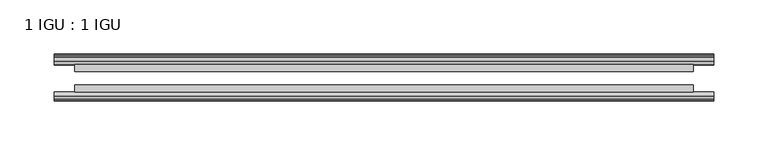
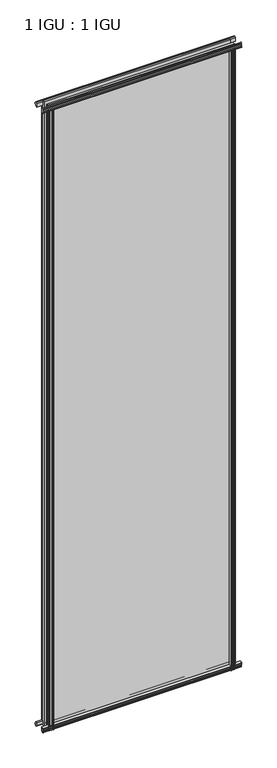
"""IFC4 building model written with IfcOpenShell, lengths in millimetres: plate geometry, 1 IGU : 1 IGU."""

import ifcopenshell
import ifcopenshell.guid

model = None  # the IFC model being written
_history = None  # IfcOwnerHistory: only IFC2X3 demands one
_inside = {}  # id of a spatial element -> (the spatial element, [elements in it])
_under = {}  # id of a project, library or spatial element -> (it, [spatial elements below it])
_declared = {}  # id of a project -> (the project, [libraries it declares])
_typed = {}  # id of a type object -> (the type object, [elements of that type])
_made_of = {}  # id of a material, layer set ... -> (it, [elements and type objects made of it])


def new_model(schema):
    """Start an empty IFC model of exactly this schema.

    Asked for "IFC4X3", IfcOpenShell would pick the latest addendum, in which some entities
    have other attributes; the version numbers below select the first issue.
    IFC2X3 requires an IfcOwnerHistory on every rooted entity: one is made here for all.
    """
    global model, _history
    if schema == "IFC4X3":
        model = ifcopenshell.file(schema_version=(4, 3, 0, 0))
    else:
        model = ifcopenshell.file(schema=schema)
    _inside.clear()
    _under.clear()
    _declared.clear()
    _typed.clear()
    _made_of.clear()
    _history = None
    if model.schema == "IFC2X3":
        org = make("IfcOrganization", Name="unknown")
        user = make(
            "IfcPersonAndOrganization",
            ThePerson=make("IfcPerson", FamilyName="unknown"),
            TheOrganization=org,
        )
        app = make(
            "IfcApplication",
            ApplicationDeveloper=org,
            Version="unknown",
            ApplicationFullName="unknown",
            ApplicationIdentifier="unknown",
        )
        _history = make(
            "IfcOwnerHistory",
            OwningUser=user,
            OwningApplication=app,
            ChangeAction="ADDED",
            CreationDate=0,
        )
    return model


def make(cls, **values):
    """One entity of the class cls with the attributes given. An attribute that is None is left unset."""
    return model.create_entity(
        cls, **{name: value for name, value in values.items() if value is not None}
    )


def rooted(cls, **values):
    """An entity with a GlobalId (a new one), such as an element, a storey or a relation."""
    return make(cls, GlobalId=ifcopenshell.guid.new(), OwnerHistory=_history, **values)


def si_unit(unit_type, name, prefix=None):
    """IfcSIUnit, for example si_unit("LENGTHUNIT", "METRE", prefix="MILLI")."""
    return make("IfcSIUnit", UnitType=unit_type, Prefix=prefix, Name=name)


def assignment(units):
    """IfcUnitAssignment: the units of a project."""
    return None if units is None else make("IfcUnitAssignment", Units=units)


def point(xyz):
    """IfcCartesianPoint."""
    return None if xyz is None else make("IfcCartesianPoint", Coordinates=xyz)


def direction(xyz):
    """IfcDirection."""
    return None if xyz is None else make("IfcDirection", DirectionRatios=xyz)


def frame(location, z_axis=None, x_axis=None):
    """IfcAxis2Placement3D, a coordinate frame: its origin and axes. An axis left out is left unset."""
    return make(
        "IfcAxis2Placement3D",
        Location=point(location),
        Axis=direction(z_axis),
        RefDirection=direction(x_axis),
    )


def frame_2d(location, x_axis=None):
    """IfcAxis2Placement2D, a coordinate frame in the plane: its origin and x axis."""
    return make(
        "IfcAxis2Placement2D", Location=point(location), RefDirection=direction(x_axis)
    )


def origin():
    """The frame at (0, 0, 0) with its axes left unset."""
    return frame((0.0, 0.0, 0.0))


def place(relative_to, where):
    """IfcLocalPlacement: puts the frame where relative to a parent placement (None: the world)."""
    return make(
        "IfcLocalPlacement", PlacementRelTo=relative_to, RelativePlacement=where
    )


def context(
    kind, dimensions, precision=None, world=None, true_north=None, identifier=None
):
    """IfcGeometricRepresentationContext, for example the 3D "Model" context."""
    return make(
        "IfcGeometricRepresentationContext",
        ContextIdentifier=identifier,
        ContextType=kind,
        CoordinateSpaceDimension=dimensions,
        Precision=precision,
        WorldCoordinateSystem=world,
        TrueNorth=true_north,
    )


def project(units=None, contexts=None):
    """IfcProject with its units and contexts."""
    return rooted(
        "IfcProject",
        Name="project",
        RepresentationContexts=contexts,
        UnitsInContext=assignment(units),
    )


def spatial(cls, under=None, at=None, **own):
    """A site, building, storey or space (cls), placed at a placement, below another one or the project."""
    s = rooted(cls, ObjectPlacement=at, **own)
    if under is not None:
        _under.setdefault(under.id(), (under, []))[1].append(s)
    return s


def polyline(points):
    """IfcPolyline through the points."""
    return make("IfcPolyline", Points=[point(p) for p in points])


def circle_curve(where, radius):
    """IfcCircle in the frame where."""
    return make("IfcCircle", Position=where, Radius=radius)


def trimmed(basis, trim1, trim2, sense, master):
    """IfcTrimmedCurve: the piece of a basis curve between two trims."""
    return make(
        "IfcTrimmedCurve",
        BasisCurve=basis,
        Trim1=trim1,
        Trim2=trim2,
        SenseAgreement=sense,
        MasterRepresentation=master,
    )


def segment(curve, same_sense, transition):
    """IfcCompositeCurveSegment."""
    return make(
        "IfcCompositeCurveSegment",
        Transition=transition,
        SameSense=same_sense,
        ParentCurve=curve,
    )


def composite_curve(segments, self_intersect=None):
    """IfcCompositeCurve: segments joined end to end."""
    return make("IfcCompositeCurve", Segments=segments, SelfIntersect=self_intersect)


def outline(outer, holes=None, kind="AREA"):
    """IfcArbitraryClosedProfileDef: a profile drawn as a closed curve; with holes, ...WithVoids."""
    if holes is None:
        return make("IfcArbitraryClosedProfileDef", ProfileType=kind, OuterCurve=outer)
    return make(
        "IfcArbitraryProfileDefWithVoids",
        ProfileType=kind,
        OuterCurve=outer,
        InnerCurves=holes,
    )


def extrude(swept, where, along, depth):
    """IfcExtrudedAreaSolid: the profile swept, set in the frame where, extruded along a direction by depth."""
    return make(
        "IfcExtrudedAreaSolid",
        SweptArea=swept,
        Position=where,
        ExtrudedDirection=direction(along),
        Depth=depth,
    )


def shape(context_of_items, identifier, shape_type, items):
    """IfcShapeRepresentation: the items that make up one representation, for example the "Body"."""
    return make(
        "IfcShapeRepresentation",
        ContextOfItems=context_of_items,
        RepresentationIdentifier=identifier,
        RepresentationType=shape_type,
        Items=items,
    )


def source(mapping_origin, context_of_items, identifier, shape_type, items):
    """IfcRepresentationMap: a shape defined once, which mapped items show again and again."""
    return make(
        "IfcRepresentationMap",
        MappingOrigin=mapping_origin,
        MappedRepresentation=shape(context_of_items, identifier, shape_type, items),
    )


def transform(
    local_origin,
    x_axis=None,
    y_axis=None,
    z_axis=None,
    scale=None,
    scale2=None,
    scale3=None,
    uniform=True,
):
    """IfcCartesianTransformationOperator3D, or its non-uniform kind. x_axis, y_axis, z_axis: its Axis1, 2, 3."""
    if uniform:
        return make(
            "IfcCartesianTransformationOperator3D",
            Axis1=direction(x_axis),
            Axis2=direction(y_axis),
            LocalOrigin=point(local_origin),
            Scale=scale,
            Axis3=direction(z_axis),
        )
    return make(
        "IfcCartesianTransformationOperator3DnonUniform",
        Axis1=direction(x_axis),
        Axis2=direction(y_axis),
        LocalOrigin=point(local_origin),
        Scale=scale,
        Axis3=direction(z_axis),
        Scale2=scale2,
        Scale3=scale3,
    )


def mapped(mapping_source, mapping_target):
    """IfcMappedItem: shows the shape of a source again, moved by a transform."""
    return make(
        "IfcMappedItem", MappingSource=mapping_source, MappingTarget=mapping_target
    )


def made_of(thing, what):
    """Note that an element or type object is made of a material, layer set ...; save() writes the relation."""
    if what is not None:
        _made_of.setdefault(what.id(), (what, []))[1].append(thing)
    return thing


def element(
    cls,
    number,
    at=None,
    inside=None,
    cuts=None,
    type_object=None,
    material=None,
    context=None,
    identifier="Body",
    shape_type=None,
    held_by="IfcProductDefinitionShape",
    body=None,
    shapes=None,
    **own,
):
    """One element of the class cls, such as IfcWall. Its Tag is "e" and its number.

    at: its placement. inside: the storey or other place that contains it. cuts: it is an
    opening in that element (IfcRelVoidsElement). A single representation is given by context,
    identifier, shape_type and body (its items); several are given by shapes. held_by: the class
    of the entity that holds the representations. save() writes the other relations.
    """
    e = rooted(cls, Tag="e%d" % number, ObjectPlacement=at, **own)
    if body is not None:
        shapes = [shape(context, identifier, shape_type, body)]
    if shapes is not None:
        e.Representation = make(held_by, Representations=shapes)
    if inside is not None:
        _inside.setdefault(inside.id(), (inside, []))[1].append(e)
    if cuts is not None:
        rooted(
            "IfcRelVoidsElement", RelatingBuildingElement=cuts, RelatedOpeningElement=e
        )
    if type_object is not None:
        _typed.setdefault(type_object.id(), (type_object, []))[1].append(e)
    return made_of(e, material)


def aggregate(whole, parts):
    """IfcRelAggregates: a whole, such as a stair, and the parts it consists of."""
    return rooted("IfcRelAggregates", RelatingObject=whole, RelatedObjects=parts)


def save(model, path):
    """Write the relations noted so far, then the file.

    IfcRelAggregates (storeys below a building ...), IfcRelContainedInSpatialStructure (elements
    in a storey), IfcRelDefinesByType, IfcRelAssociatesMaterial and IfcRelDeclares: one each for
    every whole, place, type object, material and project.
    """
    for whole, parts in _under.values():
        aggregate(whole, parts)
    for where, things in _inside.values():
        rooted(
            "IfcRelContainedInSpatialStructure",
            RelatedElements=things,
            RelatingStructure=where,
        )
    for kind, things in _typed.values():
        rooted("IfcRelDefinesByType", RelatedObjects=things, RelatingType=kind)
    for what, things in _made_of.values():
        rooted("IfcRelAssociatesMaterial", RelatedObjects=things, RelatingMaterial=what)
    for by, libraries in _declared.values():
        rooted("IfcRelDeclares", RelatingContext=by, RelatedDefinitions=libraries)
    model.write(path)


def plate_1_igu_1_igu_2a0d92b6(model_context):
    return source(origin(), model_context, "Body", "SweptSolid", [
        extrude(outline(composite_curve([segment(polyline([(-46.2359545, 2001.8775265), (-46.2359545, 1990.8553092), (-53.3197108, 1992.2226185)]), True, "CONTINUOUS"), segment(trimmed(circle_curve(frame_2d((-53.1447545, 1993.2234413)), 1.016), [point((-53.3197108, 1992.2226185))], [point((-53.8888005, 1993.9152878))], False, "CARTESIAN"), True, "CONTINUOUS"), segment(polyline([(-53.8888005, 1993.9152878), (-52.5859205, 1993.7314413), (-52.5859205, 1999.1416413), (-54.0652165, 1999.4024811), (-52.5859205, 2001.9864413), (-52.5859205, 2005.1614413)]), True, "CONTINUOUS"), segment(trimmed(circle_curve(frame_2d((-51.3159205, 2005.1614413)), 1.27), [point((-52.5859205, 2005.1614413))], [point((-50.4178949, 2006.059467))], False, "CARTESIAN"), True, "CONTINUOUS"), segment(polyline([(-50.4178949, 2006.059467), (-46.2359545, 2001.8775265)]), True, "CONTINUOUS")], self_intersect=False)), frame((-304.8, 0.0, 0.0), z_axis=(1.0, 0.0, 0.0), x_axis=(0.0, 1.0, 0.0)), (0.0, 0.0, 1.0), 609.6),
        extrude(outline(polyline([(-17.4323375, 2006.3139519), (-14.4859375, 2006.3139519), (-14.4859375, 2001.8689519), (-12.1057405, 2001.4879519), (-12.5656738, 2002.903481), (-11.7644596, 2002.903481), (-11.0569375, 2000.7259519), (-11.7644596, 1998.5484229), (-12.5656738, 1998.5484229), (-12.1057405, 1999.9639519), (-14.4859375, 1999.5829519), (-14.4859375, 1994.3759519), (-20.8359545, 1992.6582293), (-20.8359545, 2003.4795957), (-17.4323375, 2006.3139519)])), frame((-304.8, 0.0, 0.0), z_axis=(1.0, 0.0, 0.0), x_axis=(0.0, 1.0, 0.0)), (0.0, 0.0, 1.0), 609.6),
        extrude(outline(polyline([(-20.8359545, 1.2049602), (-14.4859375, -0.5127625), (-14.4859375, -5.7197625), (-12.1057405, -6.1007625), (-12.5656738, -4.6852334), (-11.7644596, -4.6852334), (-11.0569375, -6.8627625), (-11.7644596, -9.0402916), (-12.5656738, -9.0402916), (-12.1057405, -7.6247625), (-14.4859375, -8.0057625), (-14.4859375, -12.4507625), (-17.4323375, -12.4507625), (-20.8359545, -9.6164062), (-20.8359545, 1.2049602)])), frame((-304.8, 0.0, 0.0), z_axis=(1.0, 0.0, 0.0), x_axis=(0.0, 1.0, 0.0)), (0.0, 0.0, 1.0), 609.6),
        extrude(outline(composite_curve([segment(polyline([(-53.3197108, 1.6405709), (-46.2359545, 3.0078803), (-46.2359545, -8.014337), (-50.4178949, -12.1962775)]), True, "CONTINUOUS"), segment(trimmed(circle_curve(frame_2d((-51.3159205, -11.2982519)), 1.27), [point((-50.4178949, -12.1962775))], [point((-52.5859205, -11.2982519))], False, "CARTESIAN"), True, "CONTINUOUS"), segment(polyline([(-52.5859205, -11.2982519), (-52.5859205, -8.1232519), (-54.0652165, -5.5392917), (-52.5859205, -5.2784519), (-52.5859205, 0.1317481), (-53.8888005, -0.0520983)]), True, "CONTINUOUS"), segment(trimmed(circle_curve(frame_2d((-53.1447545, 0.6397481)), 1.016), [point((-53.8888005, -0.0520983))], [point((-53.3197108, 1.6405709))], False, "CARTESIAN"), True, "CONTINUOUS")], self_intersect=False)), frame((-304.8, 0.0, 0.0), z_axis=(1.0, 0.0, 0.0), x_axis=(0.0, 1.0, 0.0)), (0.0, 0.0, 1.0), 609.6),
        extrude(outline(polyline([(-280.6994802, -12.1057405), (-282.1150093, -12.5656738), (-282.1150093, -11.7644596), (-279.9374802, -11.0569375), (-277.7599512, -11.7644596), (-277.7599512, -12.5656738), (-279.1754802, -12.1057405), (-278.7944802, -14.4859375), (-273.5874802, -14.4859375), (-271.8697622, -20.8359375), (-282.6911381, -20.8359375), (-285.5254802, -17.4323375), (-285.5254802, -14.4859375), (-281.0804802, -14.4859375), (-280.6994802, -12.1057405)])), frame((0.0, 0.0, -12.6752823), z_axis=(0.0, 0.0, 1.0), x_axis=(1.0, 0.0, 0.0)), (0.0, 0.0, 1.0), 2006.5384717),
        extrude(outline(composite_curve([segment(polyline([(-281.0890378, -46.2359375), (-270.0668342, -46.2359375), (-271.4341468, -53.3197108)]), True, "CONTINUOUS"), segment(trimmed(circle_curve(frame_2d((-272.4349696, -53.1447545)), 1.016), [point((-271.4341468, -53.3197108))], [point((-273.1268161, -53.8888005))], False, "CARTESIAN"), True, "CONTINUOUS"), segment(polyline([(-273.1268161, -53.8888005), (-272.9429696, -52.5859205), (-278.3531696, -52.5859205), (-278.6140094, -54.0652165), (-281.1979696, -52.5859205), (-284.3729696, -52.5859205)]), True, "CONTINUOUS"), segment(trimmed(circle_curve(frame_2d((-284.3729696, -51.3159205)), 1.27), [point((-284.3729696, -52.5859205))], [point((-285.2709953, -50.4178949))], False, "CARTESIAN"), True, "CONTINUOUS"), segment(polyline([(-285.2709953, -50.4178949), (-281.0890378, -46.2359375)]), True, "CONTINUOUS")], self_intersect=False)), frame((0.0, 0.0, -12.6752823), z_axis=(0.0, 0.0, 1.0), x_axis=(1.0, 0.0, 0.0)), (0.0, 0.0, 1.0), 2006.5384717),
        extrude(outline(composite_curve([segment(polyline([(271.4341468, -53.3197108), (270.0668342, -46.2359375), (281.0890378, -46.2359375), (285.2709953, -50.4178949)]), True, "CONTINUOUS"), segment(trimmed(circle_curve(frame_2d((284.3729696, -51.3159205)), 1.27), [point((285.2709953, -50.4178949))], [point((284.3729696, -52.5859205))], False, "CARTESIAN"), True, "CONTINUOUS"), segment(polyline([(284.3729696, -52.5859205), (281.1979696, -52.5859205), (278.6140094, -54.0652165), (278.3531696, -52.5859205), (272.9429696, -52.5859205), (273.1659331, -53.8504091)]), True, "CONTINUOUS"), segment(trimmed(circle_curve(frame_2d((272.4349696, -53.1447545)), 1.016), [point((273.1659331, -53.8504091))], [point((271.4341468, -53.3197108))], False, "CARTESIAN"), True, "CONTINUOUS")], self_intersect=False)), frame((0.0, 0.0, -12.6752823), z_axis=(0.0, 0.0, 1.0), x_axis=(1.0, 0.0, 0.0)), (0.0, 0.0, 1.0), 2006.5384717),
        extrude(outline(polyline([(277.7599512, -11.7644596), (279.9374802, -11.0569375), (282.1150093, -11.7644596), (282.1150093, -12.5656738), (280.6994802, -12.1057405), (281.0804802, -14.4859375), (285.5254802, -14.4859375), (285.5254802, -17.4323375), (282.6911381, -20.8359375), (271.8697622, -20.8359375), (273.5874802, -14.4859375), (278.7944802, -14.4859375), (279.1754802, -12.1057405), (277.7599512, -12.5656738), (277.7599512, -11.7644596)])), frame((0.0, 0.0, -12.6752823), z_axis=(0.0, 0.0, 1.0), x_axis=(1.0, 0.0, 0.0)), (0.0, 0.0, 1.0), 2006.5384717),
        extrude(outline(polyline([(285.75, -20.8359375), (285.75, -27.1859375), (-285.75, -27.1859375), (-285.75, -20.8359375), (285.75, -20.8359375)])), frame((0.0, 0.0, -12.6752823), z_axis=(0.0, 0.0, 1.0), x_axis=(1.0, 0.0, 0.0)), (0.0, 0.0, 1.0), 2019.213754),
        extrude(outline(polyline([(-285.75, -46.2359375), (-285.75, -39.8859375), (285.75, -39.8859375), (285.75, -46.2359375), (-285.75, -46.2359375)])), frame((0.0, 0.0, -12.6752823), z_axis=(0.0, 0.0, 1.0), x_axis=(1.0, 0.0, 0.0)), (0.0, 0.0, 1.0), 2019.213754),
    ])


if __name__ == "__main__":
    model = new_model("IFC4")
    model_context = context("Model", 3, world=origin())
    ifc_project = project(units=[si_unit("LENGTHUNIT", "METRE", prefix="MILLI")], contexts=[model_context])
    site = spatial("IfcSite", under=ifc_project)
    building = spatial("IfcBuilding", under=site)
    placement = place(None, origin())
    plate_1_igu_1_igu_shape = plate_1_igu_1_igu_2a0d92b6(model_context)
    element("IfcPlate", 1, ObjectType="1 IGU : 1 IGU", at=placement, inside=building, context=model_context, shape_type="MappedRepresentation", body=[
        mapped(plate_1_igu_1_igu_shape, transform((0.0, 0.0, 0.0), x_axis=(1.0, 0.0, 0.0), y_axis=(0.0, 1.0, 0.0), z_axis=(0.0, 0.0, 1.0))),
    ])
    save(model, "model.ifc")
